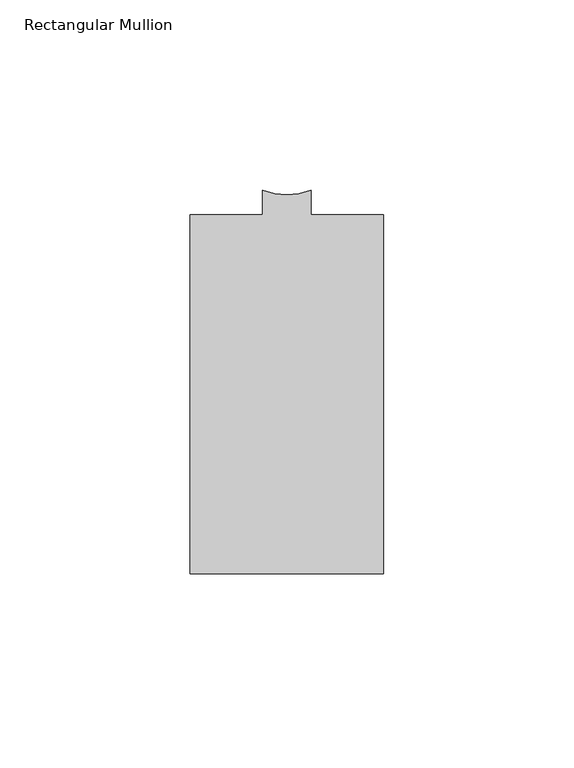
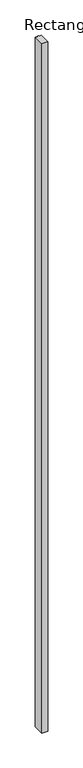
"""IFC4 building model written with IfcOpenShell, lengths in millimetres: member geometry, Rectangular Mullion."""

from ifc_helpers import new_model, si_unit, point, frame, frame_2d, origin, place, context, project, spatial, polyline, circle_curve, trimmed, segment, composite_curve, outline, extrude, source, transform, mapped, element, save


def rectangular_mullion_c9d8c492(model_context):
    return source(origin(), model_context, "Body", "SweptSolid", [
        extrude(outline(composite_curve([segment(polyline([(25.401905, -46.8565242), (-25.398095, -46.8565242), (-25.398095, 47.4749086), (-6.351905, 47.4749086), (-6.351905, 53.8228373)]), True, "CONTINUOUS"), segment(trimmed(circle_curve(frame_2d((0.0, 70.8071367)), 18.133205), [point((-6.351905, 53.8228373))], [point((6.351905, 53.8228373))], True, "CARTESIAN"), True, "CONTINUOUS"), segment(polyline([(6.351905, 53.8228373), (6.351905, 47.4518367), (25.401905, 47.4518367), (25.401905, -46.8565242)]), True, "CONTINUOUS")], self_intersect=False)), frame((0.0, 0.0, -6096.0), z_axis=(0.0, 0.0, 1.0), x_axis=(1.0, 0.0, 0.0)), (0.0, 0.0, 1.0), 6096.0),
    ])


if __name__ == "__main__":
    model = new_model("IFC4")
    model_context = context("Model", 3, world=origin())
    ifc_project = project(units=[si_unit("LENGTHUNIT", "METRE", prefix="MILLI")], contexts=[model_context])
    site = spatial("IfcSite", under=ifc_project)
    building = spatial("IfcBuilding", under=site)
    placement = place(None, origin())
    rectangular_mullion_shape = rectangular_mullion_c9d8c492(model_context)
    element("IfcMember", 1, ObjectType="Rectangular Mullion", at=placement, inside=building, context=model_context, shape_type="MappedRepresentation", body=[
        mapped(rectangular_mullion_shape, transform((0.0, 0.0, 0.0), x_axis=(1.0, 0.0, 0.0), y_axis=(0.0, 1.0, 0.0), z_axis=(0.0, 0.0, 1.0))),
    ])
    save(model, "model.ifc")
